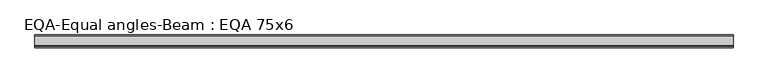
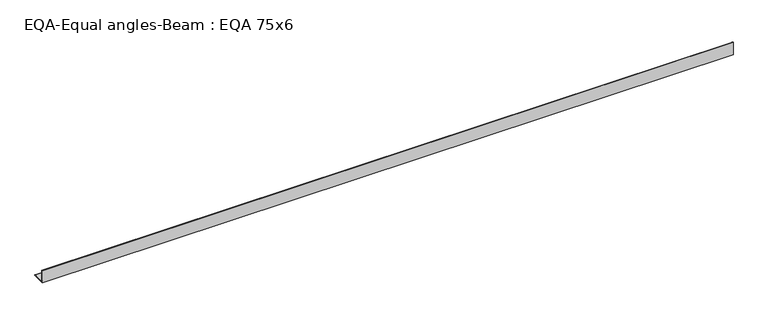
"""IFC4 building model written with IfcOpenShell, lengths in millimetres: beam geometry, EQA-Equal angles-Beam : EQA 75x6."""

from ifc_helpers import new_model, si_unit, point, frame, frame_2d, origin, place, context, project, spatial, polyline, circle_curve, trimmed, segment, composite_curve, outline, extrude, source, transform, mapped, element, save


def eqa_equal_angles_beam_eqa_75x6_21971bda(model_context):
    return source(origin(), model_context, "Body", "SweptSolid", [
        extrude(outline(composite_curve([segment(polyline([(-20.5, -20.5), (-20.5, 54.5), (-19.0, 54.5)]), True, "CONTINUOUS"), segment(trimmed(circle_curve(frame_2d((-19.0, 50.0)), 4.5), [point((-19.0, 54.5))], [point((-14.5, 50.0))], False, "CARTESIAN"), True, "CONTINUOUS"), segment(polyline([(-14.5, 50.0), (-14.5, -5.5)]), True, "CONTINUOUS"), segment(trimmed(circle_curve(frame_2d((-5.5, -5.5)), 9.0), [point((-14.5, -5.5))], [point((-5.5, -14.5))], True, "CARTESIAN"), True, "CONTINUOUS"), segment(polyline([(-5.5, -14.5), (50.0, -14.5)]), True, "CONTINUOUS"), segment(trimmed(circle_curve(frame_2d((50.0, -19.0)), 4.5), [point((50.0, -14.5))], [point((54.5, -19.0))], False, "CARTESIAN"), True, "CONTINUOUS"), segment(polyline([(54.5, -19.0), (54.5, -20.5), (-20.5, -20.5)]), True, "CONTINUOUS")], self_intersect=False)), frame((-2089.0631314, 0.0, 0.0), z_axis=(1.0, 0.0, 0.0), x_axis=(0.0, 1.0, 0.0)), (0.0, 0.0, 1.0), 4017.2677794),
    ])


if __name__ == "__main__":
    model = new_model("IFC4")
    model_context = context("Model", 3, world=origin())
    ifc_project = project(units=[si_unit("LENGTHUNIT", "METRE", prefix="MILLI")], contexts=[model_context])
    site = spatial("IfcSite", under=ifc_project)
    building = spatial("IfcBuilding", under=site)
    placement = place(None, origin())
    eqa_equal_angles_beam_eqa_75x6_shape = eqa_equal_angles_beam_eqa_75x6_21971bda(model_context)
    element("IfcBeam", 1, ObjectType="EQA-Equal angles-Beam : EQA 75x6", at=placement, inside=building, context=model_context, shape_type="MappedRepresentation", body=[
        mapped(eqa_equal_angles_beam_eqa_75x6_shape, transform((0.0, 0.0, 0.0), x_axis=(1.0, 0.0, 0.0), y_axis=(0.0, 1.0, 0.0), z_axis=(0.0, 0.0, 1.0))),
    ])
    save(model, "model.ifc")
